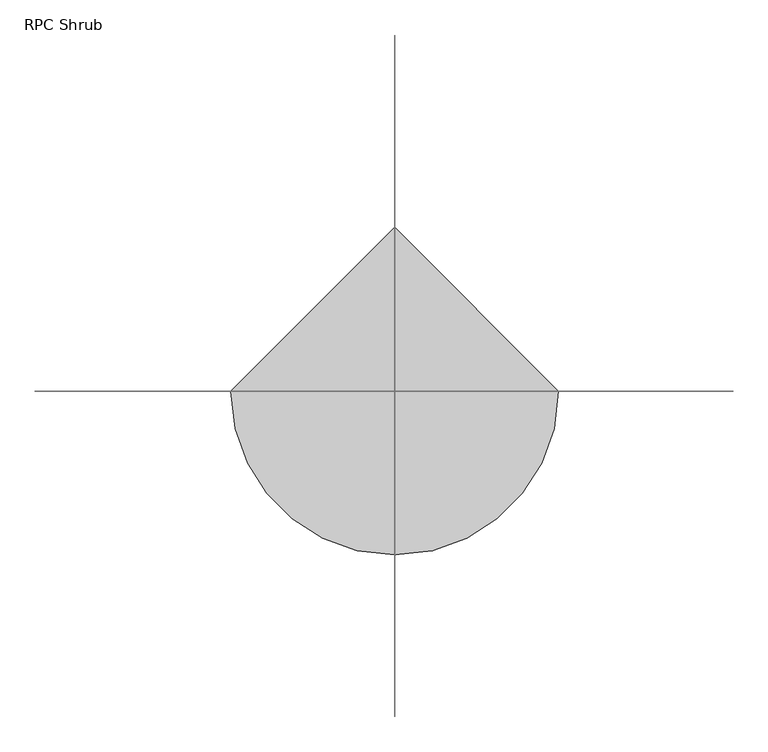
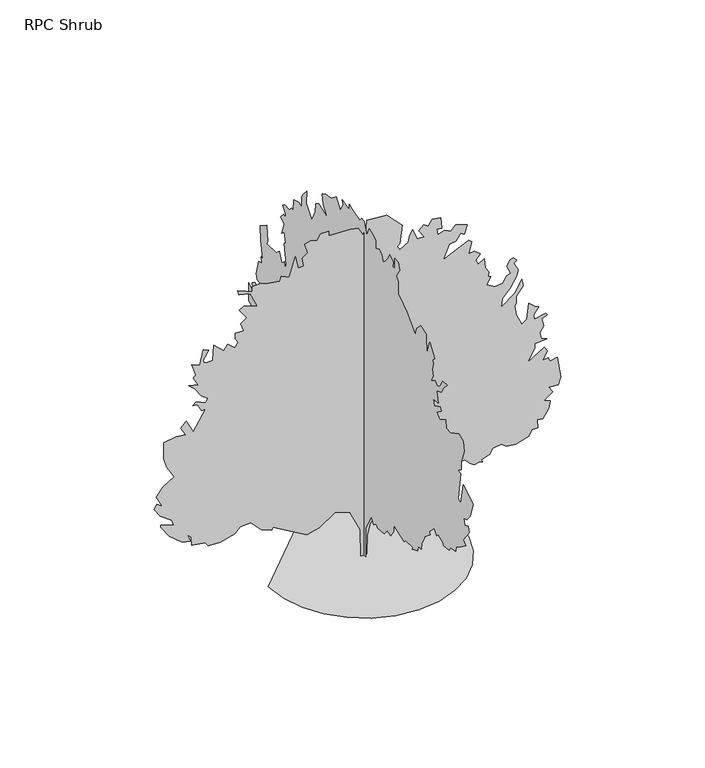
"""IFC4 building model written with IfcOpenShell, lengths in millimetres: geographic element geometry, RPC Shrub."""

from ifc_helpers import new_model, si_unit, origin, place, context, project, spatial, triangles, source, transform, mapped, element, save


def rpc_shrub_7462b660(model_context):
    return source(origin(), model_context, "Body", "Tessellation", [
        triangles([(-9.4573925, -3.9e-06, 72.2348623), (-36.4693492, -6.1e-06, 128.8771626), (-74.629579, -5.2e-06, 141.2324949), (-113.9485589, -1.8e-06, 114.0498972), (-145.9624841, 1e-07, 106.0463523), (-234.001251, 8e-07, 158.0691489), (-236.002001, 1.4e-06, 150.0658583), (-264.0154255, 1.9e-06, 162.0709213), (-290.0250479, 1.3e-06, 190.0833467), (-318.0387268, 2.7e-06, 188.0823242), (-332.0443036, 4.1e-06, 174.0762387), (-368.4272936, 6.4e-06, 163.6409018), (-400.0731817, 7.6e-06, 166.0726938), (-408.0767266, 7.3e-06, 176.0772612), (-442.0924192, 8.5e-06, 182.0797836), (-444.0939686, 7.2e-06, 204.089414), (-452.0975135, 7.1e-06, 212.0929589), (-446.0929381, 7.9e-06, 194.0851191), (-466.1030903, 8.6e-06, 198.0868916), (-500.1187829, 8.4e-06, 226.0990444), (-522.1279046, 7.4e-06, 258.1124609), (-522.1279046, 7.1e-06, 264.1170363), (-488.1121757, 6.3e-06, 252.1104472), (-494.1142076, 5.6e-06, 268.117537), (-522.9229142, 5.6e-06, 288.9353979), (-538.1349944, 4.9e-06, 312.1357804), (-532.1304191, 3.9e-06, 324.1423513), (-518.1248423, 3.9e-06, 314.1372934), (-534.1319321, 2.8e-06, 344.14996), (-516.6084741, 8e-07, 365.2878413), (-486.7989927, -1.6e-06, 383.4742676), (-506.1208148, -2.7e-06, 416.1818642), (-514.1243597, -3.9e-06, 442.1940482), (-514.1243597, -6.5e-06, 486.2122553), (-482.1101801, -8.1e-06, 490.2153176), (-458.099509, -9.1e-06, 488.2138046), (-470.1035728, -9.9e-06, 510.2229263), (-456.097996, -1.13e-05, 524.2284668), (-438.0893932, -1e-05, 488.2138046), (-406.0752136, -1.45e-05, 540.2355566), (-416.0802715, -1.39e-05, 538.236587), (-428.0868788, -1.46e-05, 558.2441957), (-440.0909062, -1.42e-05, 560.2457088), (-430.0883918, -1.51e-05, 568.2492537), (-406.0752136, -1.54e-05, 556.2426827), (-401.4955876, -1.62e-05, 567.0275259), (-418.0817845, -1.63e-05, 580.2533175), (-434.0888743, -1.7e-05, 604.2639522), (-450.0959641, -1.72e-05, 618.2720724), (-426.0853294, -1.79e-05, 612.2674971), (-438.0893932, -1.87e-05, 634.2791622), (-432.0873613, -1.94e-05, 642.2826708), (-442.0924192, -2.07e-05, 672.2953737), (-422.0823034, -2.11e-05, 664.2917925), (-412.0797526, -2.38e-05, 702.308004), (-398.0716687, -2.41e-05, 696.3059721), (-400.6802304, -2.38e-05, 693.2783226), (-403.212634, -2.35e-05, 690.2023476), (-405.5926123, -2.32e-05, 687.0248526), (-407.7439708, -2.29e-05, 683.6948959), (-409.5930948, -2.26e-05, 680.1642975), (-411.0637536, -2.23e-05, 676.3821882), (-412.0797526, -2.21e-05, 672.2953737), (-411.9857903, -2.19e-05, 668.7317104), (-410.3525688, -2.18e-05, 666.420369), (-407.434106, -2.18e-05, 665.1452288), (-403.4920137, -2.2e-05, 664.7033226), (-398.7777666, -2.22e-05, 664.8861603), (-393.5530128, -2.25e-05, 665.485615), (-388.0691179, -2.28e-05, 666.2907984), (-386.0676049, -2.52e-05, 706.3085592), (-360.0554572, -2.49e-05, 682.2978882), (-350.0529064, -2.62e-05, 696.3059721), (-332.0443036, -2.6e-05, 680.2988823), (-322.0392457, -2.72e-05, 692.3029461), (-330.0427906, -2.76e-05, 704.3095533), (-330.0427906, -2.84e-05, 718.3150938), (-308.0336689, -2.94e-05, 718.3150938), (-316.0372138, -3.03e-05, 740.3242155), (-301.0029389, -3.16e-05, 751.5637184), (-320.0377327, -3.24e-05, 778.340427), (-308.0336689, -3.33e-05, 784.3424589), (-274.0179581, -3.42e-05, 774.3399445), (-292.0265791, -3.57e-05, 812.356156), (-320.9191106, -3.49e-05, 820.7254852), (-324.0407587, -3.54e-05, 832.3637283), (-304.0306247, -3.58e-05, 824.3602198), (-286.0245472, -3.62e-05, 816.3566385), (-286.0245472, -3.7e-05, 830.3647951), (-265.0619096, -3.8e-05, 832.6329706), (-252.0090908, -3.82e-05, 826.3616964), (-215.9931387, -3.95e-05, 820.3596645), (-211.9913662, -4.03e-05, 832.3637283), (-191.9827583, -4.06e-05, 822.3612139), (-175.9756504, -4.43e-05, 872.3814892), (-168.7203883, -4.27e-05, 839.3385933), (-153.9660381, -4.34e-05, 840.3673096), (-157.9678106, -4.45e-05, 862.3789747), (-143.9617251, -4.57e-05, 872.3814892), (-151.9650156, -4.69e-05, 898.3936369), (-135.9581802, -4.78e-05, 902.3941195), (-119.9513447, -4.83e-05, 898.3936369), (-109.9467864, -4.96e-05, 912.3991774), (-89.9381694, -5.05e-05, 912.3991774), (-89.9381694, -4.97e-05, 900.3951862), (-32.626833, -5.21e-05, 897.7739073), (-14.3439498, -5.26e-05, 893.5625364), (-1.8993678, -5.19e-05, 872.3814892), (6.1041838, -5.31e-05, 886.3895731), (8.105045, -5.45e-05, 908.3986948), (59.627565, -5.65e-05, 903.8140182), (99.4230465, -5.58e-05, 862.5999641), (92.1418776, -5.26e-05, 814.3577053), (86.1393461, -5.21e-05, 810.3546066), (92.1418776, -5.16e-05, 798.3505428), (114.1514989, -5.33e-05, 810.3546066), (118.1578496, -5.45e-05, 827.9416145), (126.1568253, -5.56e-05, 840.3673096), (138.1621427, -5.45e-05, 812.356156), (155.7905089, -5.52e-05, 811.8684677), (142.1639151, -5.58e-05, 832.3637283), (154.1689872, -5.71e-05, 844.3703356), (166.1743046, -5.71e-05, 836.3667543), (176.1785995, -5.85e-05, 852.3739168), (198.1884842, -5.92e-05, 848.3708181), (200.188998, -5.75e-05, 818.3581879), (188.1839168, -5.71e-05, 820.3596645), (190.1846849, -5.63e-05, 804.3525747), (208.1927972, -5.74e-05, 810.3546066), (224.199887, -5.76e-05, 802.3510981), (236.20495, -5.9e-05, 816.3566385), (265.7807247, -5.96e-05, 805.7293076), (258.2140718, -5.79e-05, 782.343453), (250.2110355, -5.79e-05, 788.3454849), (236.20495, -5.62e-05, 770.3369184), (220.1978602, -5.54e-05, 768.3379126), (204.1910248, -5.26e-05, 732.3207069), (270.2206608, -5.73e-05, 762.3333372), (278.2242057, -5.71e-05, 754.3298286), (270.2206608, -5.5e-05, 724.3171257), (284.2262195, -5.57e-05, 726.318675), (300.2333274, -5.57e-05, 714.3120678), (288.2267384, -5.43e-05, 700.3065273), (294.2312955, -5.39e-05, 688.3024635), (309.737998, -5.51e-05, 697.179756), (312.8444218, -5.37e-05, 671.3504459), (322.242431, -5.33e-05, 658.2872171), (320.240918, -5.25e-05, 646.283226), (326.2454933, -5.25e-05, 642.2801273), (316.2403991, -5.1e-05, 624.2741043), (337.7847236, -5.12e-05, 610.9797123), (358.2596729, -5.23e-05, 614.2690464), (368.2621874, -5.37e-05, 630.2761362), (378.0386619, -5.44e-05, 634.7135107), (368.2621874, -5.52e-05, 656.2882839), (376.2657323, -5.64e-05, 670.2938244), (384.2692772, -5.7e-05, 674.2943069), (394.2743714, -5.68e-05, 664.2917925), (386.2708265, -5.61e-05, 658.2872171), (398.1707179, -5.54e-05, 637.1290609), (394.2743714, -5.43e-05, 622.272555), (376.2657323, -5.17e-05, 592.2598884), (356.2581599, -4.97e-05, 572.2497725), (354.2566106, -4.83e-05, 550.2406508), (388.2723395, -5.13e-05, 576.2527986), (406.2783989, -5.4e-05, 608.2669782), (410.2814612, -5.3e-05, 588.2568624), (392.2728221, -5.09e-05, 566.2477407), (392.2728221, -4.98e-05, 548.2391015), (388.2723395, -4.93e-05, 542.2371059), (392.2728221, -4.79e-05, 516.2249219), (406.2783989, -4.67e-05, 486.2122553), (419.6692966, -4.79e-05, 495.1530613), (424.2870017, -5.05e-05, 536.235074), (440.2941278, -5.04e-05, 522.2294972), (450.2991858, -5.06e-05, 518.2264712), (437.047996, -4.89e-05, 500.1924339), (438.2925785, -4.83e-05, 488.2138046), (468.3077886, -4.99e-05, 494.2158002), (472.3083075, -4.97e-05, 488.2138046), (458.3027307, -4.88e-05, 482.2117727), (462.5902596, -4.78e-05, 462.3895815), (452.3006988, -4.64e-05, 446.1945308), (456.3012177, -4.56e-05, 430.187441), (470.3067581, -4.58e-05, 424.1854091), (440.2941278, -4.43e-05, 420.1849265), (440.2941278, -4.36e-05, 408.1783193), (420.2865191, -4.08e-05, 376.1641397), (464.3047626, -4.43e-05, 402.1762874), (472.3083075, -4.39e-05, 390.1697165), (460.3017002, -4.21e-05, 368.1605947), (474.3098205, -4.28e-05, 370.1621078), (478.3103394, -4.24e-05, 360.1570498), (498.3204552, -4.35e-05, 364.1600759), (506.3240001, -4.05e-05, 308.1352615), (500.3194247, -3.9e-05, 288.1251276), (476.3113335, -3.81e-05, 290.1266587), (486.3138843, -3.76e-05, 274.1195508), (464.3047626, -3.57e-05, 258.1124609), (480.3118524, -3.6e-05, 252.1104472), (476.3113335, -3.47e-05, 232.1015668), (460.3017002, -3.26e-05, 210.0919546), (446.2961234, -3.22e-05, 212.0929589), (448.2976727, -3.09e-05, 190.0833467), (432.2905829, -3.02e-05, 190.0833467), (424.2870017, -2.89e-05, 174.0762387), (391.7419679, -2.69e-05, 164.3614974), (366.2632178, -2.6e-05, 168.0737163), (354.2566106, -2.61e-05, 178.0780111), (332.2474889, -2.49e-05, 174.0762387), (323.8020015, -2.37e-05, 160.8723026), (302.2348404, -2.24e-05, 154.0673764), (306.2353412, -2.21e-05, 146.0640859), (298.2317963, -2.2e-05, 150.0658583), (284.2262195, -2.11e-05, 146.0640859), (272.2196304, -2.11e-05, 154.0673764), (260.2155848, -2.14e-05, 168.0737163), (240.2064682, -2.03e-05, 164.0719438), (236.8051496, -1.96e-05, 155.3752181), (196.1874799, -1.67e-05, 136.0595276), (196.1874799, -1.6e-05, 124.0544646), (162.1725321, -1.36e-05, 110.0481247), (162.1725321, -1.4e-05, 116.0509106), (138.1618883, -1.27e-05, 112.0491381), (106.7192036, -1.23e-05, 127.7984221), (83.214788, -1.13e-05, 128.4156446), (38.7434109, -8e-06, 104.983363), (17.3291135, -5.6e-06, 81.0641653), (9.1189377, -3.5e-06, 51.8726831), (8.1050195, -4e-07, 0.0), (-7.9020227, 3e-07, 7e-07), (-244.9072532, 0.0, 4.54e-05), (-238.4327937, -56.1165193, 4.18e-05), (-219.9933851, -107.6506239, 3.79e-05), (-191.0655541, -153.1257915, 3.39e-05), (-153.1257915, -191.0655541, 3e-05), (-107.6506239, -219.9933851, 2.63e-05), (-56.1165193, -238.4327937, 2.29e-05), (1.14e-05, -244.9072532, 2.01e-05), (56.1165193, -238.4327937, 1.8e-05), (107.6506239, -219.9933851, 5.12e-05), (153.1257915, -191.0655541, 5.1e-05), (191.0655541, -153.1257915, 5.16e-05), (219.9933851, -107.6506239, 1.87e-05), (238.4327937, -56.1165193, 2.09e-05), (244.9072532, 2.14e-05, 2.4e-05), (-3.16e-05, 244.9072532, 4.93e-05), (-1e-06, -8.7682648, 19.1210077), (-2.7e-06, -9.3654196, 78.8180451), (-6.1e-06, -33.2534526, 124.0544646), (-5.1e-06, -45.2590243, 110.0481247), (-5.2e-06, -55.2633328, 118.0516787), (-5.8e-06, -63.2666234, 112.0491381), (-6.9e-06, -91.2787853, 114.0498972), (-9e-06, -105.285116, 130.0569961), (-9.8e-06, -121.2919515, 126.0552236), (-9.6e-06, -133.2972779, 144.0630725), (-1.09e-05, -133.2972779, 162.0709213), (-1.16e-05, -181.318293, 146.0640859), (-1.37e-05, -187.3210879, 152.0666174), (-1.51e-05, -221.3357813, 154.0676308), (-1.31e-05, -215.3334951, 146.0640859), (-1.58e-05, -241.3446436, 158.0694032), (-1.53e-05, -243.3454117, 172.0754887), (-1.59e-05, -257.3504617, 172.0754887), (-1.75e-05, -259.3519928, 188.0825785), (-1.71e-05, -267.3555377, 204.089414), (-1.9e-05, -271.3585819, 214.0939814), (-1.92e-05, -297.3682044, 236.1036118), (-2.09e-05, -291.3661725, 240.1051299), (-2.09e-05, -315.3768253, 264.1170363), (-2.19e-05, -325.3818832, 250.1096791), (-2.19e-05, -331.3839151, 256.1134914), (-2.32e-05, -351.394031, 248.1086748), (-2.37e-05, -357.3960629, 242.1061342), (-2.46e-05, -381.4066976, 244.1069023), (-2.44e-05, -385.4072165, 254.1119602), (-2.53e-05, -409.4178512, 258.1124609), (-2.69e-05, -411.4193642, 272.1180377), (-2.71e-05, -423.423428, 278.1225949), (-2.96e-05, -455.4376076, 302.1332478), (-2.88e-05, -443.4335438, 310.1367745), (-3.05e-05, -469.4457278, 346.151473), (-3.18e-05, -465.4426655, 360.1570498), (-3.14e-05, -449.4355757, 354.1550179), (-3.05e-05, -445.4350931, 370.1621078), (-3.1e-05, -459.4406336, 374.1651701), (-3.29e-05, -474.5104623, 393.7968206), (-3.38e-05, -487.4517872, 434.1905033), (-3.29e-05, -443.4335438, 460.202651), (-3.07e-05, -433.4284859, 404.1778367), (-3e-05, -421.4244221, 408.1783193), (-3.36e-05, -431.6073034, 483.065209), (-3.29e-05, -419.4229091, 486.2122553), (-3.32e-05, -435.4299989, 496.2173495), (-3.43e-05, -435.4299989, 518.2264712), (-3.54e-05, -447.4340627, 554.2436769), (-3.64e-05, -443.4335438, 578.2543116), (-3.73e-05, -423.423428, 586.2578565), (-3.43e-05, -384.7290238, 566.6439737), (-3.35e-05, -367.3985773, 568.2492537), (-3.46e-05, -365.3996078, 590.2583754), (-3.2e-05, -339.38746, 574.2512856), (-3.09e-05, -325.3818832, 586.2578565), (-3.33e-05, -345.3894919, 600.2634333), (-3.26e-05, -341.388973, 610.2684912), (-3.2e-05, -313.375276, 596.2604073), (-3.12e-05, -309.3747934, 612.2674971), (-3.2e-05, -331.3839151, 614.2690464), (-3.26e-05, -324.6503509, 643.5704556), (-3.53e-05, -345.3894919, 652.2852579), (-3.49e-05, -357.3960629, 672.2953737), (-3.71e-05, -373.4031527, 688.3024635), (-3.62e-05, -351.394031, 686.3009142), (-3.44e-05, -341.388973, 668.2923477), (-3.42e-05, -327.3833962, 658.2897606), (-3.34e-05, -319.3798513, 668.2923477), (-3.31e-05, -301.3712485, 658.2897606), (-3.49e-05, -309.3747934, 674.2943069), (-3.4e-05, -305.3717311, 690.3013968), (-3.56e-05, -309.3747934, 706.3085592), (-3.5e-05, -307.3732804, 718.3150938), (-3.51e-05, -317.3783383, 726.318675), (-3.49e-05, -295.3692166, 758.3328547), (-3.52e-05, -289.3646595, 744.3272415), (-3.4e-05, -281.3610964, 716.3136171), (-3.58e-05, -279.3621268, 770.3369184), (-3.44e-05, -255.3514921, 778.340427), (-3.23e-05, -237.3428711, 760.334404), (-3.28e-05, -229.3393262, 740.3242155), (-3.11e-05, -209.330464, 760.334404), (-3.16e-05, -191.322606, 778.340427), (-3.05e-05, -177.3165205, 790.3470343), (-3.1e-05, -153.3061402, 804.3525747), (-3.17e-05, -153.3061402, 836.3667543), (-3.08e-05, -145.3025953, 848.3708181), (-3.26e-05, -161.3094307, 872.3814892), (-3.37e-05, -155.087445, 890.4942644), (-3.3e-05, -138.6373771, 891.588965), (-3.2e-05, -138.6373771, 863.4050749), (-3.17e-05, -129.7796238, 863.4050749), (-3.12e-05, -131.2962645, 876.3845152), (-3.22e-05, -115.28942, 886.3895731), (-3.04e-05, -107.2858751, 870.3824833), (-2.83e-05, -87.2770128, 848.3708181), (-2.94e-05, -81.2744813, 866.3794573), (-2.85e-05, -69.2691594, 874.3829659), (-2.82e-05, -53.2620651, 866.3794573), (-2.94e-05, -53.2620651, 888.388579), (-2.86e-05, -42.0070608, 894.8096987), (-2.75e-05, -25.2500576, 902.3966629), (-2.59e-05, -13.2446369, 878.3860645), (-2.63e-05, -3.2402807, 908.3986948), (-2.57e-05, 8.7649884, 910.4002441), (-2.58e-05, 16.768535, 900.3951862), (-2.39e-05, 50.7832783, 910.4002441), (-2.52e-05, 64.7893547, 914.4007267), (-2.37e-05, 64.7893547, 900.3951862), (-2.2e-05, 94.8025255, 908.3986948), (-2.26e-05, 90.8010074, 898.3936369), (-2.09e-05, 104.8068295, 874.3829659), (-2.11e-05, 122.8149417, 900.3951862), (-1.88e-05, 144.7590329, 883.3085838), (-1.79e-05, 169.2642141, 879.2750364), (-1.76e-05, 184.8420423, 870.3824833), (-1.68e-05, 179.1326343, 845.1882362), (-1.65e-05, 162.8324119, 820.3596645), (-1.63e-05, 200.8491321, 834.3652777), (-1.4e-05, 212.8544495, 826.3616964), (-1.49e-05, 216.8562219, 802.3510981), (-1.34e-05, 230.8623074, 772.3383951), (-1.32e-05, 254.871416, 802.3510981), (-1.4e-05, 252.8719378, 836.3667543), (-1.19e-05, 270.8810493, 816.3566385), (-1.21e-05, 276.8830812, 806.3541241), (-1.12e-05, 276.8830812, 778.340427), (-1.04e-05, 288.8871268, 784.3450024), (-9.7e-06, 310.8962485, 778.340427), (-8.7e-06, 314.8992745, 746.3262474), (-8.4e-06, 320.9013064, 748.3277967), (-6.3e-06, 330.9064007, 738.3227388), (-5.3e-06, 350.913973, 740.3242155), (-5.2e-06, 360.919031, 732.3207069), (-6.5e-06, 346.9134905, 716.3136171), (-4.7e-06, 348.9150035, 706.3085592), (-4.2e-06, 356.9185484, 710.3115852), (-4.3e-06, 368.9226122, 696.3059721), (-5.4e-06, 354.9170354, 684.2994375), (-4.1e-06, 364.9220933, 654.2867346), (-4.2e-06, 354.9170354, 662.2903158), (-3.5e-06, 346.9134905, 638.2796448), (-3.4e-06, 354.9170354, 632.2776129), (-1.8e-06, 344.9119411, 580.2533175), (-2.2e-06, 348.9150035, 568.2492537), (-1.3e-06, 354.9170354, 582.2548305), (-1.2e-06, 365.0364032, 574.0988966), (-1.8e-06, 376.9261571, 598.2619203), (4e-07, 388.932728, 586.2578565), (2.2e-06, 432.9509714, 584.2563435), (2.4e-06, 426.9489395, 594.2614014), (1e-07, 432.9509714, 634.2791622), (2.7e-06, 460.962125, 616.2705231), (3.1e-06, 458.9631191, 578.2543116), (5e-06, 448.9580612, 534.233561), (5.4e-06, 456.9616061, 534.233561), (4.5e-06, 453.2786187, 518.6607834), (5e-06, 466.966664, 516.2274653), (8e-06, 478.9707278, 474.2082278), (7.2e-06, 474.9702089, 460.202651), (6.5e-06, 460.962125, 458.201138), (7.6e-06, 458.9631191, 436.1920163), (9.3e-06, 484.9727597, 448.1960438), (9.4e-06, 495.8998544, 440.6471586), (1.04e-05, 490.9772987, 418.1833772), (9.7e-06, 512.9864204, 430.187441), (1.18e-05, 512.9864204, 380.167202), (9.6e-06, 476.9692148, 366.1616252), (1.23e-05, 498.9808436, 356.156531), (1.21e-05, 504.9828755, 346.151473), (1.23e-05, 478.9707278, 328.1428702), (1.17e-05, 462.963638, 330.1443832), (1.21e-05, 484.9727597, 316.1388064), (1.23e-05, 514.7745744, 340.233266), (1.35e-05, 520.9899653, 312.1357804), (1.38e-05, 508.9833944, 282.1231138), (1.52e-05, 530.9950596, 292.1281717), (1.67e-05, 532.7171565, 276.4538196), (1.52e-05, 513.8677983, 260.1292346), (1.52e-05, 504.9828755, 270.11905), (1.29e-05, 491.4116472, 278.5442443), (1.42e-05, 500.9798495, 300.1317166), (1.21e-05, 492.9763046, 308.1352615), (1.3e-05, 481.8053658, 291.1223283), (1.34e-05, 462.963638, 270.11905), (1.3e-05, 470.9671829, 252.1104472), (1.42e-05, 484.9727597, 266.1160058), (1.4e-05, 490.9772987, 256.1134914), (1.53e-05, 488.9757857, 238.1043617), (1.35e-05, 462.963638, 224.0982762), (1.52e-05, 472.9686959, 202.088664), (1.48e-05, 492.9763046, 222.0972719), (1.65e-05, 493.9364204, 210.9735868), (1.65e-05, 480.9722408, 176.0772612), (1.56e-05, 460.962125, 176.0772612), (1.7e-05, 462.963638, 156.0683989), (1.44e-05, 448.9580612, 160.0701714), (1.53e-05, 434.1422141, 145.3175835), (1.52e-05, 426.9489395, 150.0658583), (1.32e-05, 388.932728, 142.0623134), (1.26e-05, 374.9246078, 144.0630725), (1.31e-05, 378.9276701, 150.0658583), (1.21e-05, 350.913973, 156.0683989), (1.15e-05, 348.9150035, 144.0630725), (1.1e-05, 338.9099456, 142.0623134), (1.02e-05, 326.9033383, 136.0595276), (7.2e-06, 286.8856138, 158.0691489), (8.6e-06, 278.8845942, 148.0648449), (6.5e-06, 264.0916381, 164.6055958), (5.2e-06, 240.8666204, 158.0691489), (3.7e-06, 204.8506502, 158.0694032), (3.3e-06, 166.8341844, 138.060541), (3e-06, 170.8359568, 128.056237), (4.5e-06, 158.8306395, 124.0544646), (2.7e-06, 158.8306395, 132.0580095), (2e-06, 144.8243087, 130.0569961), (1.3e-06, 120.8141827, 138.060541), (-1e-06, 101.9528885, 154.2177488), (-2.5e-06, 36.7154756, 135.157575), (-1.1e-06, 12.638517, 93.3765678), (1.1e-06, 8.7649628, 3.52e-05), (3e-07, -9.2429405, 3.42e-05)], [[48, 49, 50], [94, 95, 96], [184, 185, 186], [212, 213, 214], [165, 166, 167], [165, 167, 168], [42, 43, 44], [52, 53, 54], [70, 71, 72], [42, 44, 45], [85, 86, 87], [84, 85, 87], [84, 87, 88], [41, 42, 45], [40, 41, 45], [173, 174, 175], [117, 118, 119], [17, 18, 19], [116, 117, 119], [144, 145, 146], [221, 222, 223], [21, 22, 23], [20, 21, 23], [132, 133, 134], [131, 132, 134], [130, 131, 134], [37, 38, 39], [36, 37, 39], [55, 56, 57], [164, 165, 168], [164, 168, 169], [164, 169, 170], [175, 176, 177], [173, 175, 177], [125, 126, 127], [179, 180, 181], [178, 179, 181], [173, 177, 178], [130, 134, 135], [130, 135, 136], [124, 125, 127], [123, 124, 127], [6, 7, 8], [26, 27, 28], [25, 26, 28], [80, 81, 82], [80, 82, 83], [157, 158, 159], [156, 157, 159], [155, 156, 159], [154, 155, 159], [154, 159, 160], [154, 160, 161], [92, 93, 94], [72, 73, 74], [203, 204, 205], [141, 142, 143], [193, 194, 195], [99, 100, 101], [55, 57, 58], [103, 104, 105], [76, 77, 78], [75, 76, 78], [109, 110, 111], [140, 141, 143], [99, 101, 102], [229, 230, 231], [229, 231, 1], [228, 229, 1], [188, 189, 190], [188, 190, 191], [197, 198, 199], [102, 103, 105], [148, 149, 150], [17, 19, 20], [17, 20, 23], [88, 89, 90], [154, 161, 162], [153, 154, 162], [152, 153, 162], [152, 162, 163], [151, 152, 163], [33, 34, 35], [228, 1, 2], [227, 228, 2], [83, 84, 88], [199, 200, 201], [47, 48, 50], [121, 122, 123], [120, 121, 123], [120, 123, 127], [120, 127, 128], [195, 196, 197], [193, 195, 197], [220, 221, 223], [191, 192, 193], [14, 15, 16], [78, 79, 80], [55, 58, 59], [54, 55, 59], [54, 59, 60], [54, 60, 61], [54, 61, 62], [54, 62, 63], [54, 63, 64], [54, 64, 65], [183, 184, 186], [129, 130, 136], [128, 129, 136], [137, 138, 139], [137, 139, 140], [83, 88, 90], [83, 90, 91], [83, 91, 92], [164, 170, 171], [28, 29, 30], [191, 193, 197], [188, 191, 197], [50, 51, 52], [24, 25, 28], [97, 98, 99], [109, 111, 112], [109, 112, 113], [109, 113, 114], [108, 109, 114], [128, 136, 137], [120, 128, 137], [201, 202, 203], [199, 201, 203], [178, 181, 182], [178, 182, 183], [33, 35, 36], [32, 33, 36], [31, 32, 36], [31, 36, 39], [119, 120, 137], [28, 30, 31], [52, 54, 65], [52, 65, 66], [50, 52, 66], [50, 66, 67], [50, 67, 68], [50, 68, 69], [116, 119, 137], [115, 116, 137], [172, 173, 178], [172, 178, 183], [172, 183, 186], [188, 197, 199], [24, 28, 31], [50, 69, 70], [214, 215, 216], [212, 214, 216], [212, 216, 217], [47, 50, 70], [46, 47, 70], [46, 70, 72], [46, 72, 74], [12, 13, 14], [205, 206, 207], [106, 107, 108], [137, 140, 143], [226, 227, 2], [146, 147, 148], [4, 5, 6], [3, 4, 6], [99, 102, 105], [97, 99, 105], [97, 105, 106], [97, 106, 108], [97, 108, 114], [97, 114, 115], [218, 219, 220], [137, 143, 144], [188, 199, 203], [188, 203, 205], [188, 205, 207], [188, 207, 208], [188, 208, 209], [188, 209, 210], [210, 211, 212], [210, 212, 217], [188, 210, 217], [188, 217, 218], [6, 8, 9], [78, 80, 83], [223, 224, 225], [220, 223, 225], [83, 92, 94], [11, 12, 14], [10, 11, 14], [10, 14, 16], [10, 16, 17], [10, 17, 23], [10, 23, 24], [10, 24, 31], [10, 31, 39], [9, 10, 39], [9, 39, 40], [6, 9, 40], [3, 6, 40], [3, 40, 45], [3, 45, 46], [3, 46, 74], [3, 74, 75], [3, 75, 78], [3, 78, 83], [3, 83, 94], [3, 94, 96], [3, 96, 97], [3, 97, 115], [3, 115, 137], [2, 3, 137], [226, 2, 137], [226, 137, 144], [226, 144, 146], [226, 146, 148], [226, 148, 150], [225, 226, 150], [220, 225, 150], [218, 220, 150], [188, 218, 150], [150, 151, 163], [150, 163, 164], [188, 150, 164], [188, 164, 171], [188, 171, 172], [188, 172, 186], [187, 188, 186], [246, 247, 232], [245, 246, 232], [245, 232, 233], [244, 245, 233], [244, 233, 234], [244, 234, 235], [243, 244, 235], [242, 243, 235], [242, 235, 236], [242, 236, 237], [242, 237, 238], [242, 238, 239], [242, 239, 240], [242, 240, 241], [261, 262, 263], [388, 389, 390], [372, 373, 374], [312, 313, 314], [440, 441, 442], [440, 442, 443], [312, 314, 315], [311, 312, 315], [358, 359, 360], [323, 324, 325], [414, 415, 416], [422, 423, 424], [301, 302, 303], [449, 450, 451], [400, 401, 402], [400, 402, 403], [399, 400, 403], [444, 445, 446], [311, 315, 316], [310, 311, 316], [289, 290, 291], [288, 289, 291], [287, 288, 291], [286, 287, 291], [280, 281, 282], [396, 397, 398], [322, 323, 325], [322, 325, 326], [462, 463, 464], [461, 462, 464], [425, 426, 427], [425, 427, 428], [425, 428, 429], [440, 443, 444], [268, 269, 270], [356, 357, 358], [394, 395, 396], [435, 436, 437], [435, 437, 438], [435, 438, 439], [425, 429, 430], [425, 430, 431], [424, 425, 431], [404, 405, 406], [372, 374, 375], [372, 375, 376], [456, 457, 458], [271, 272, 273], [371, 372, 376], [414, 416, 417], [308, 309, 310], [342, 343, 344], [341, 342, 344], [305, 306, 307], [304, 305, 307], [283, 284, 285], [282, 283, 285], [338, 339, 340], [337, 338, 340], [336, 337, 340], [361, 362, 363], [382, 383, 384], [381, 382, 384], [470, 471, 248], [469, 470, 248], [469, 248, 249], [469, 249, 250], [468, 469, 250], [386, 387, 388], [385, 386, 388], [399, 403, 404], [250, 251, 252], [350, 351, 352], [418, 419, 420], [417, 418, 420], [417, 420, 421], [321, 322, 326], [320, 321, 326], [292, 293, 294], [264, 265, 266], [316, 317, 318], [310, 316, 318], [308, 310, 318], [446, 447, 448], [424, 431, 432], [422, 424, 432], [422, 432, 433], [364, 365, 366], [277, 278, 279], [261, 263, 264], [255, 256, 257], [398, 399, 404], [326, 327, 328], [326, 328, 329], [326, 329, 330], [452, 453, 454], [396, 398, 404], [412, 413, 414], [411, 412, 414], [411, 414, 417], [377, 378, 379], [376, 377, 379], [336, 340, 341], [408, 409, 410], [341, 344, 345], [421, 422, 433], [421, 433, 434], [363, 364, 366], [363, 366, 367], [361, 363, 367], [407, 408, 410], [406, 407, 410], [391, 392, 393], [336, 341, 345], [255, 257, 258], [258, 259, 260], [379, 380, 381], [275, 276, 277], [274, 275, 277], [352, 353, 354], [352, 354, 355], [348, 349, 350], [348, 350, 352], [346, 347, 348], [345, 346, 348], [297, 298, 299], [297, 299, 300], [296, 297, 300], [294, 295, 296], [294, 296, 300], [294, 300, 301], [335, 336, 345], [334, 335, 345], [454, 455, 456], [452, 454, 456], [358, 360, 361], [367, 368, 369], [367, 369, 370], [286, 291, 292], [355, 356, 358], [448, 449, 451], [439, 440, 444], [396, 404, 406], [394, 396, 406], [394, 406, 410], [394, 410, 411], [371, 376, 379], [367, 370, 371], [294, 301, 303], [253, 254, 255], [252, 253, 255], [292, 294, 303], [318, 319, 320], [318, 320, 326], [318, 326, 330], [434, 435, 439], [352, 355, 358], [352, 358, 361], [352, 361, 367], [260, 261, 264], [411, 417, 421], [394, 411, 421], [252, 255, 258], [250, 252, 258], [348, 352, 367], [345, 348, 367], [334, 345, 367], [334, 367, 371], [333, 334, 371], [332, 333, 371], [331, 332, 371], [330, 331, 371], [318, 330, 371], [308, 318, 371], [307, 308, 371], [307, 371, 379], [307, 379, 381], [307, 381, 384], [307, 384, 385], [307, 385, 388], [307, 388, 390], [307, 390, 391], [307, 391, 393], [307, 393, 394], [307, 394, 421], [307, 421, 434], [307, 434, 439], [307, 439, 444], [307, 444, 446], [307, 446, 448], [307, 448, 451], [307, 451, 452], [307, 452, 456], [307, 456, 458], [307, 458, 459], [307, 459, 460], [307, 460, 461], [307, 461, 464], [307, 464, 465], [307, 465, 466], [307, 466, 467], [307, 467, 468], [307, 468, 250], [307, 250, 258], [304, 307, 258], [303, 304, 258], [292, 303, 258], [292, 258, 260], [273, 274, 277], [273, 277, 279], [271, 273, 279], [279, 280, 282], [271, 279, 282], [271, 282, 285], [271, 285, 286], [271, 286, 292], [271, 292, 260], [270, 271, 260], [268, 270, 260], [268, 260, 264], [268, 264, 266], [268, 266, 267]], closed=False),
    ])


if __name__ == "__main__":
    model = new_model("IFC4")
    model_context = context("Model", 3, world=origin())
    ifc_project = project(units=[si_unit("LENGTHUNIT", "METRE", prefix="MILLI")], contexts=[model_context])
    site = spatial("IfcSite", under=ifc_project)
    building = spatial("IfcBuilding", under=site)
    placement = place(None, origin())
    rpc_shrub_shape = rpc_shrub_7462b660(model_context)
    element("IfcGeographicElement", 1, ObjectType="RPC Shrub", at=placement, inside=building, context=model_context, shape_type="MappedRepresentation", body=[
        mapped(rpc_shrub_shape, transform((0.0, 0.0, 0.0), x_axis=(1.0, 0.0, 0.0), y_axis=(0.0, 1.0, 0.0), z_axis=(0.0, 0.0, 1.0))),
    ])
    save(model, "model.ifc")
